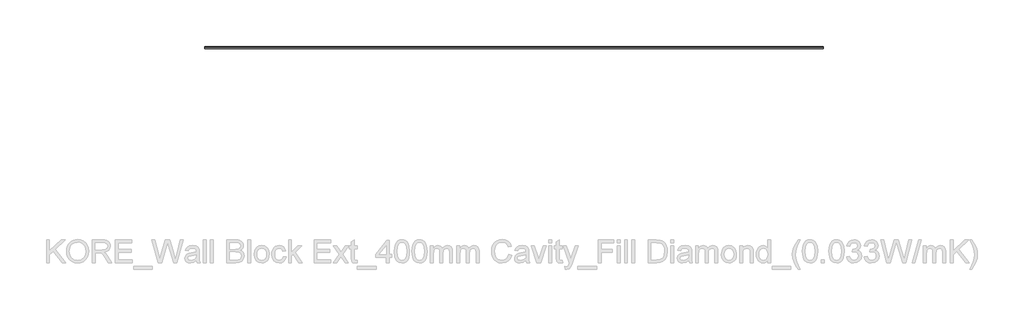
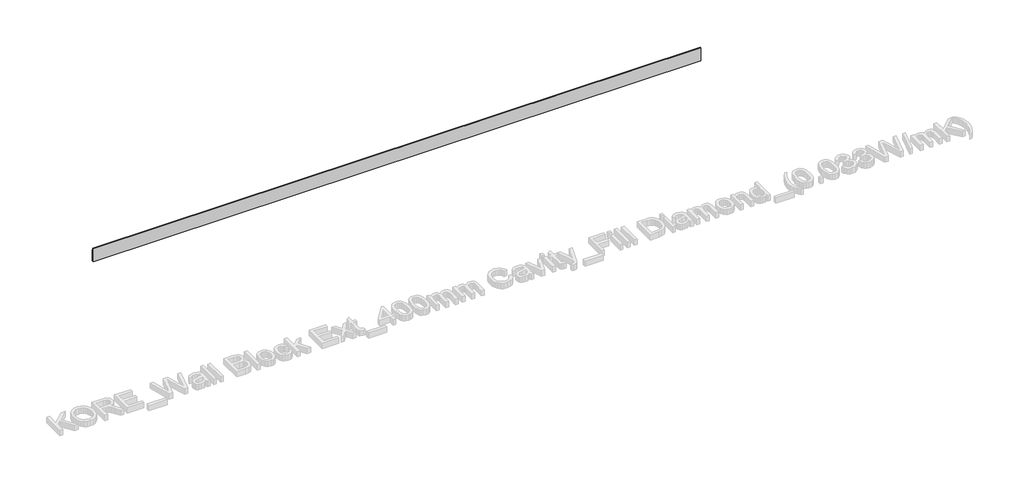
# One storey, part 32 of 60: 1 proxy.
"""IFC4 building model written with IfcOpenShell, lengths in millimetres."""

import ifcopenshell
import ifcopenshell.guid

model = None  # the IFC model being written
_history = None  # IfcOwnerHistory: only IFC2X3 demands one
_inside = {}  # id of a spatial element -> (the spatial element, [elements in it])
_under = {}  # id of a project, library or spatial element -> (it, [spatial elements below it])
_declared = {}  # id of a project -> (the project, [libraries it declares])
_typed = {}  # id of a type object -> (the type object, [elements of that type])
_made_of = {}  # id of a material, layer set ... -> (it, [elements and type objects made of it])


def new_model(schema):
    """Start an empty IFC model of exactly this schema.

    Asked for "IFC4X3", IfcOpenShell would pick the latest addendum, in which some entities
    have other attributes; the version numbers below select the first issue.
    IFC2X3 requires an IfcOwnerHistory on every rooted entity: one is made here for all.
    """
    global model, _history
    if schema == "IFC4X3":
        model = ifcopenshell.file(schema_version=(4, 3, 0, 0))
    else:
        model = ifcopenshell.file(schema=schema)
    _inside.clear()
    _under.clear()
    _declared.clear()
    _typed.clear()
    _made_of.clear()
    _history = None
    if model.schema == "IFC2X3":
        org = make("IfcOrganization", Name="unknown")
        user = make(
            "IfcPersonAndOrganization",
            ThePerson=make("IfcPerson", FamilyName="unknown"),
            TheOrganization=org,
        )
        app = make(
            "IfcApplication",
            ApplicationDeveloper=org,
            Version="unknown",
            ApplicationFullName="unknown",
            ApplicationIdentifier="unknown",
        )
        _history = make(
            "IfcOwnerHistory",
            OwningUser=user,
            OwningApplication=app,
            ChangeAction="ADDED",
            CreationDate=0,
        )
    return model


def make(cls, **values):
    """One entity of the class cls with the attributes given. An attribute that is None is left unset."""
    return model.create_entity(
        cls, **{name: value for name, value in values.items() if value is not None}
    )


def rooted(cls, **values):
    """An entity with a GlobalId (a new one), such as an element, a storey or a relation."""
    return make(cls, GlobalId=ifcopenshell.guid.new(), OwnerHistory=_history, **values)


def si_unit(unit_type, name, prefix=None):
    """IfcSIUnit, for example si_unit("LENGTHUNIT", "METRE", prefix="MILLI")."""
    return make("IfcSIUnit", UnitType=unit_type, Prefix=prefix, Name=name)


def assignment(units):
    """IfcUnitAssignment: the units of a project."""
    return None if units is None else make("IfcUnitAssignment", Units=units)


def point(xyz):
    """IfcCartesianPoint."""
    return None if xyz is None else make("IfcCartesianPoint", Coordinates=xyz)


def direction(xyz):
    """IfcDirection."""
    return None if xyz is None else make("IfcDirection", DirectionRatios=xyz)


def frame(location, z_axis=None, x_axis=None):
    """IfcAxis2Placement3D, a coordinate frame: its origin and axes. An axis left out is left unset."""
    return make(
        "IfcAxis2Placement3D",
        Location=point(location),
        Axis=direction(z_axis),
        RefDirection=direction(x_axis),
    )


def frame_2d(location, x_axis=None):
    """IfcAxis2Placement2D, a coordinate frame in the plane: its origin and x axis."""
    return make(
        "IfcAxis2Placement2D", Location=point(location), RefDirection=direction(x_axis)
    )


def origin():
    """The frame at (0, 0, 0) with its axes left unset."""
    return frame((0.0, 0.0, 0.0))


def place(relative_to, where):
    """IfcLocalPlacement: puts the frame where relative to a parent placement (None: the world)."""
    return make(
        "IfcLocalPlacement", PlacementRelTo=relative_to, RelativePlacement=where
    )


def context(
    kind, dimensions, precision=None, world=None, true_north=None, identifier=None
):
    """IfcGeometricRepresentationContext, for example the 3D "Model" context."""
    return make(
        "IfcGeometricRepresentationContext",
        ContextIdentifier=identifier,
        ContextType=kind,
        CoordinateSpaceDimension=dimensions,
        Precision=precision,
        WorldCoordinateSystem=world,
        TrueNorth=true_north,
    )


def project(units=None, contexts=None):
    """IfcProject with its units and contexts."""
    return rooted(
        "IfcProject",
        Name="project",
        RepresentationContexts=contexts,
        UnitsInContext=assignment(units),
    )


def spatial(cls, under=None, at=None, **own):
    """A site, building, storey or space (cls), placed at a placement, below another one or the project."""
    s = rooted(cls, ObjectPlacement=at, **own)
    if under is not None:
        _under.setdefault(under.id(), (under, []))[1].append(s)
    return s


def polyline(points):
    """IfcPolyline through the points."""
    return make("IfcPolyline", Points=[point(p) for p in points])


def circle_curve(where, radius):
    """IfcCircle in the frame where."""
    return make("IfcCircle", Position=where, Radius=radius)


def trimmed(basis, trim1, trim2, sense, master):
    """IfcTrimmedCurve: the piece of a basis curve between two trims."""
    return make(
        "IfcTrimmedCurve",
        BasisCurve=basis,
        Trim1=trim1,
        Trim2=trim2,
        SenseAgreement=sense,
        MasterRepresentation=master,
    )


def segment(curve, same_sense, transition):
    """IfcCompositeCurveSegment."""
    return make(
        "IfcCompositeCurveSegment",
        Transition=transition,
        SameSense=same_sense,
        ParentCurve=curve,
    )


def composite_curve(segments, self_intersect=None):
    """IfcCompositeCurve: segments joined end to end."""
    return make("IfcCompositeCurve", Segments=segments, SelfIntersect=self_intersect)


def outline(outer, holes=None, kind="AREA"):
    """IfcArbitraryClosedProfileDef: a profile drawn as a closed curve; with holes, ...WithVoids."""
    if holes is None:
        return make("IfcArbitraryClosedProfileDef", ProfileType=kind, OuterCurve=outer)
    return make(
        "IfcArbitraryProfileDefWithVoids",
        ProfileType=kind,
        OuterCurve=outer,
        InnerCurves=holes,
    )


def extrude(swept, where, along, depth):
    """IfcExtrudedAreaSolid: the profile swept, set in the frame where, extruded along a direction by depth."""
    return make(
        "IfcExtrudedAreaSolid",
        SweptArea=swept,
        Position=where,
        ExtrudedDirection=direction(along),
        Depth=depth,
    )


def shape(context_of_items, identifier, shape_type, items):
    """IfcShapeRepresentation: the items that make up one representation, for example the "Body"."""
    return make(
        "IfcShapeRepresentation",
        ContextOfItems=context_of_items,
        RepresentationIdentifier=identifier,
        RepresentationType=shape_type,
        Items=items,
    )


def made_of(thing, what):
    """Note that an element or type object is made of a material, layer set ...; save() writes the relation."""
    if what is not None:
        _made_of.setdefault(what.id(), (what, []))[1].append(thing)
    return thing


def element(
    cls,
    number,
    at=None,
    inside=None,
    cuts=None,
    type_object=None,
    material=None,
    context=None,
    identifier="Body",
    shape_type=None,
    held_by="IfcProductDefinitionShape",
    body=None,
    shapes=None,
    **own,
):
    """One element of the class cls, such as IfcWall. Its Tag is "e" and its number.

    at: its placement. inside: the storey or other place that contains it. cuts: it is an
    opening in that element (IfcRelVoidsElement). A single representation is given by context,
    identifier, shape_type and body (its items); several are given by shapes. held_by: the class
    of the entity that holds the representations. save() writes the other relations.
    """
    e = rooted(cls, Tag="e%d" % number, ObjectPlacement=at, **own)
    if body is not None:
        shapes = [shape(context, identifier, shape_type, body)]
    if shapes is not None:
        e.Representation = make(held_by, Representations=shapes)
    if inside is not None:
        _inside.setdefault(inside.id(), (inside, []))[1].append(e)
    if cuts is not None:
        rooted(
            "IfcRelVoidsElement", RelatingBuildingElement=cuts, RelatedOpeningElement=e
        )
    if type_object is not None:
        _typed.setdefault(type_object.id(), (type_object, []))[1].append(e)
    return made_of(e, material)


def aggregate(whole, parts):
    """IfcRelAggregates: a whole, such as a stair, and the parts it consists of."""
    return rooted("IfcRelAggregates", RelatingObject=whole, RelatedObjects=parts)


def save(model, path):
    """Write the relations noted so far, then the file.

    IfcRelAggregates (storeys below a building ...), IfcRelContainedInSpatialStructure (elements
    in a storey), IfcRelDefinesByType, IfcRelAssociatesMaterial and IfcRelDeclares: one each for
    every whole, place, type object, material and project.
    """
    for whole, parts in _under.values():
        aggregate(whole, parts)
    for where, things in _inside.values():
        rooted(
            "IfcRelContainedInSpatialStructure",
            RelatedElements=things,
            RelatingStructure=where,
        )
    for kind, things in _typed.values():
        rooted("IfcRelDefinesByType", RelatedObjects=things, RelatingType=kind)
    for what, things in _made_of.values():
        rooted("IfcRelAssociatesMaterial", RelatedObjects=things, RelatingMaterial=what)
    for by, libraries in _declared.values():
        rooted("IfcRelDeclares", RelatingContext=by, RelatedDefinitions=libraries)
    model.write(path)


model = new_model("IFC4")

# Units and contexts
model_context = context("Model", 3, world=origin())
ifc_project = project(units=[si_unit("LENGTHUNIT", "METRE", prefix="MILLI")], contexts=[model_context])

# Site, building, storey
site = spatial("IfcSite", under=ifc_project)
building = spatial("IfcBuilding", under=site)
storey = spatial("IfcBuildingStorey", under=building, Elevation=0.0)

# Proxy
placement = place(None, origin())
element("IfcBuildingElementProxy", 1, Name="Wall Sweeps", at=placement, inside=storey, context=model_context, shape_type="SweptSolid", body=[
    extrude(outline(composite_curve([segment(polyline([(38215.4236863, 134.5), (38224.4236863, 134.5), (38224.4236863, 125.2473165)]), True, "CONTINUOUS"), segment(trimmed(circle_curve(frame_2d((38214.8063342, 113.7361681)), 15.0), [point((38224.4236863, 125.2473165))], [point((38229.8063342, 113.7361681))], False, "CARTESIAN"), True, "CONTINUOUS"), segment(polyline([(38229.8063342, 113.7361681), (38229.8063342, 94.9145021), (38233.4236863, 86.1071309), (38233.4236863, 14.5), (38215.4236863, 14.5), (38215.4236863, 134.5)]), True, "CONTINUOUS")], self_intersect=False)), frame((17930.0129216, 0.0, 0.0), z_axis=(1.0, 0.0, 0.0), x_axis=(0.0, 1.0, 0.0)), (0.0, 0.0, 1.0), 5310.0),
])

save(model, "model.ifc")
